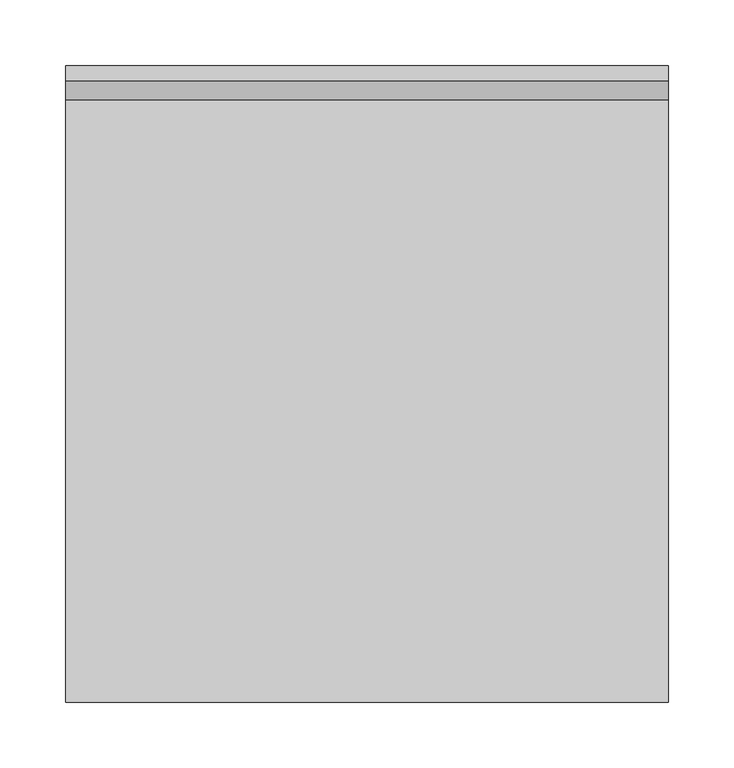
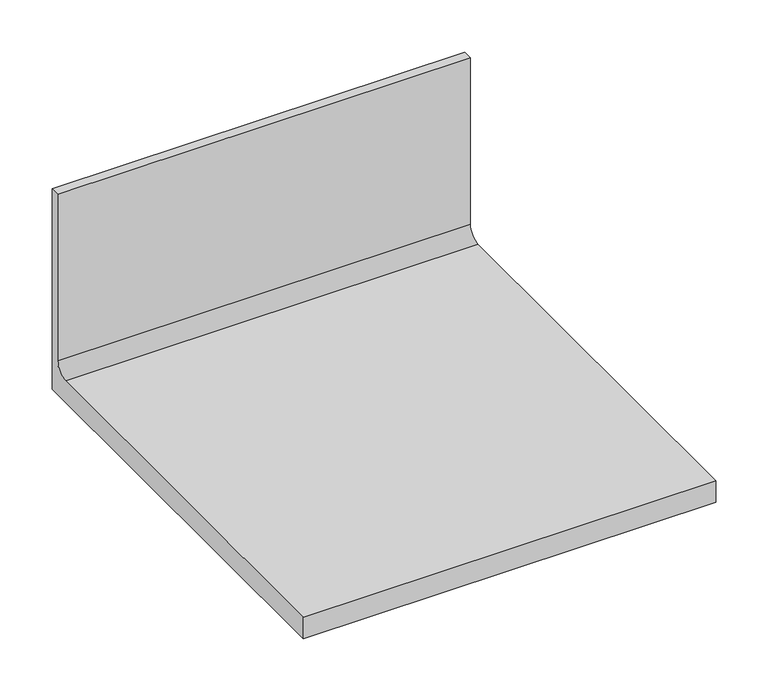
"""IFC4 building model written with IfcOpenShell, lengths in millimetres: furniture geometry."""

from ifc_helpers import new_model, si_unit, point, frame, frame_2d, origin, place, context, project, spatial, polyline, circle_curve, trimmed, segment, composite_curve, outline, extrude, source, transform, mapped, element, save


def furniture_d385635b(model_context):
    return source(origin(), model_context, "Body", "SweptSolid", [
        extrude(outline(composite_curve([segment(polyline([(0.0, 679.45), (-482.6, 679.45), (-482.6, 704.85), (-25.8191, 704.85)]), True, "CONTINUOUS"), segment(trimmed(circle_curve(frame_2d((-25.8191, 719.5566)), 14.7066), [point((-25.8191, 704.85))], [point((-11.1125, 719.5566))], True, "CARTESIAN"), True, "CONTINUOUS"), segment(polyline([(-11.1125, 719.5566), (-11.1125, 914.4), (0.0, 914.4), (0.0, 679.45)]), True, "CONTINUOUS")], self_intersect=False)), frame((0.0, 0.0, 0.0), z_axis=(1.0, 0.0, 0.0), x_axis=(0.0, 1.0, 0.0)), (0.0, 0.0, 1.0), 457.2),
    ])


if __name__ == "__main__":
    model = new_model("IFC4")
    model_context = context("Model", 3, world=origin())
    ifc_project = project(units=[si_unit("LENGTHUNIT", "METRE", prefix="MILLI")], contexts=[model_context])
    site = spatial("IfcSite", under=ifc_project)
    building = spatial("IfcBuilding", under=site)
    placement = place(None, origin())
    furniture_shape = furniture_d385635b(model_context)
    element("IfcFurniture", 1, at=placement, inside=building, context=model_context, shape_type="MappedRepresentation", body=[
        mapped(furniture_shape, transform((0.0, 0.0, 0.0), x_axis=(1.0, 0.0, 0.0), y_axis=(0.0, 1.0, 0.0), z_axis=(0.0, 0.0, 1.0))),
    ])
    save(model, "model.ifc")
